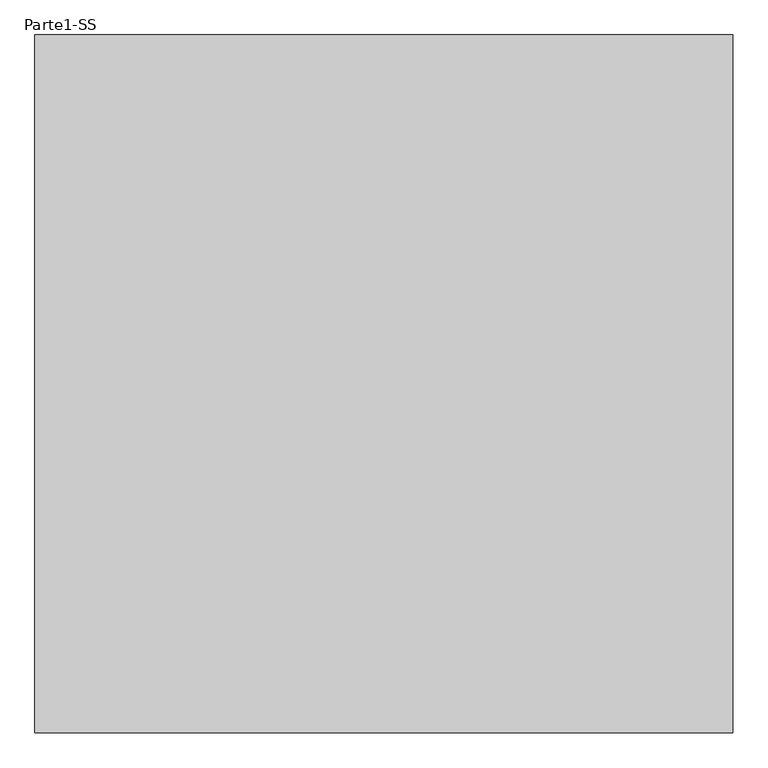
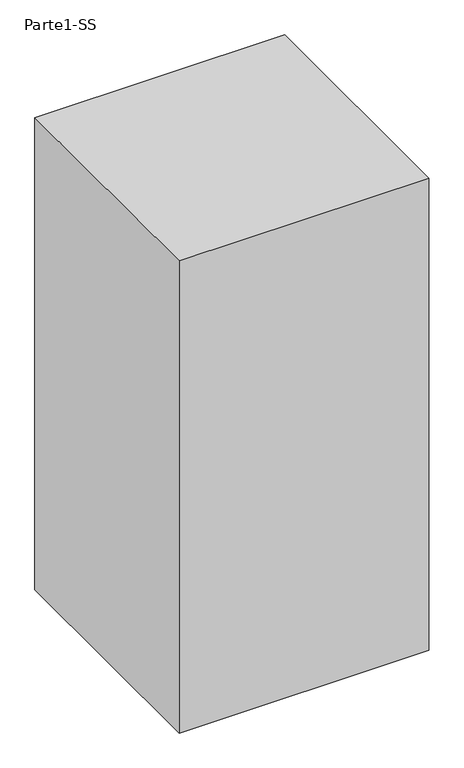
"""IFC4 building model written with IfcOpenShell, lengths in millimetres: proxy geometry, Parte1-SS."""

from ifc_helpers import new_model, si_unit, frame, origin, place, context, project, spatial, polyline, outline, extrude, source, transform, mapped, element, save


def parte1_ss_7e0fef67(model_context):
    return source(origin(), model_context, "Body", "SweptSolid", [
        extrude(outline(polyline([(10000.0, 10000.0), (10000.0, 0.0), (0.0, 0.0), (0.0, 10000.0), (10000.0, 10000.0)])), frame((0.0, 0.0, 10000.0), z_axis=(0.0, 0.0, 1.0), x_axis=(1.0, 0.0, 0.0)), (0.0, 0.0, 1.0), 20000.0),
    ])


if __name__ == "__main__":
    model = new_model("IFC4")
    model_context = context("Model", 3, world=origin())
    ifc_project = project(units=[si_unit("LENGTHUNIT", "METRE", prefix="MILLI")], contexts=[model_context])
    site = spatial("IfcSite", under=ifc_project)
    building = spatial("IfcBuilding", under=site)
    placement = place(None, origin())
    parte1_ss_shape = parte1_ss_7e0fef67(model_context)
    element("IfcBuildingElementProxy", 1, Name="Parte1-SS", ObjectType="Parte1-SS", at=placement, inside=building, context=model_context, shape_type="MappedRepresentation", body=[
        mapped(parte1_ss_shape, transform((0.0, 0.0, 0.0), x_axis=(1.0, 0.0, 0.0), y_axis=(0.0, 1.0, 0.0), z_axis=(0.0, 0.0, 1.0))),
    ])
    save(model, "model.ifc")
